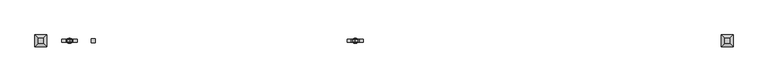
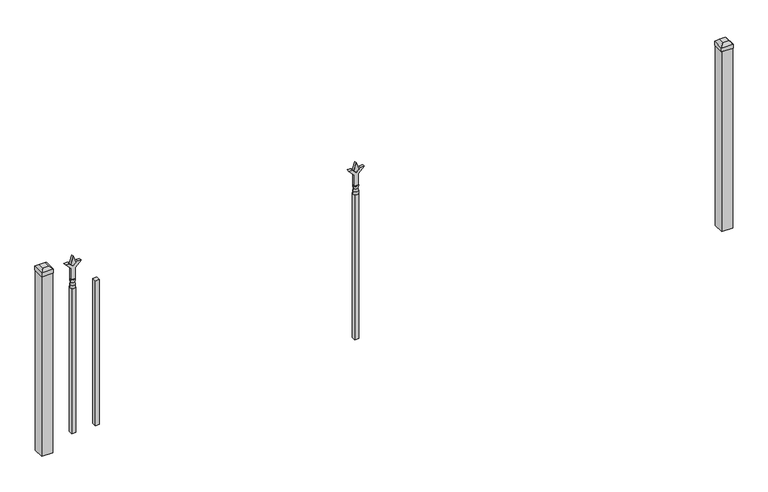
"""IFC4 building model written with IfcOpenShell, lengths in millimetres: railing geometry."""

from ifc_helpers import new_model, si_unit, frame, origin, origin_with_axes, place, context, project, spatial, polyline, circle_curve, outline, extrude, faceted_brep, source, transform, mapped, element, save
from ifc_brep_helpers import plane_surface, cylinder_surface, revolved_surface, advanced_brep


def railing_689de7b7(model_context):
    return source(origin(), model_context, "Body", "SolidModel", [
        extrude(outline(polyline([(-91568.4076703, -625.7320174), (-91549.3576703, -625.7320174), (-91549.3576703, -644.7820174), (-91568.4076703, -644.7820174), (-91568.4076703, -625.7320174)])), frame((0.0, 0.0, 50.8), z_axis=(0.0, 0.0, 1.0), x_axis=(1.0, 0.0, 0.0)), (0.0, 0.0, 1.0), 711.2),
        extrude(outline(polyline([(878.68125, -90344.974337), (914.4, -90356.880587), (878.68125, -90368.786837), (866.775, -90356.880587), (878.68125, -90344.974337)])), frame((0.0, -640.0195174, 0.0), z_axis=(0.0, 1.0, 0.0), x_axis=(0.0, 0.0, 1.0)), (0.0, 0.0, 1.0), 9.525),
        extrude(outline(polyline([(803.275, -90348.149337), (857.5457378, -90348.149337), (884.7355122, -90320.9595625), (884.7355122, -90338.9200747), (866.775, -90356.880587), (884.7355122, -90374.8410992), (884.7355122, -90392.8016114), (857.5457378, -90365.611837), (803.275, -90365.611837), (803.275, -90348.149337)])), frame((0.0, -641.6070174, 0.0), z_axis=(0.0, 1.0, 0.0), x_axis=(0.0, 0.0, 1.0)), (0.0, 0.0, 1.0), 12.7),
        advanced_brep(
        [(-90344.974337, -635.2570174, 774.7), (-90368.786837, -635.2570174, 774.7), (-90368.786837, -635.2570174, 762.0), (-90344.974337, -635.2570174, 762.0), (-90347.1796688, -635.2570174, 787.2070585), (-90366.5815051, -635.2570174, 787.2070585), (-90344.974337, -635.2570174, 803.275), (-90368.786837, -635.2570174, 803.275), (-90356.880587, -635.2570174, 803.275), (-90356.880587, -635.2570174, 762.0)],
        [
            (0, 1, circle_curve(frame((-90356.880587, -635.2570174, 774.7), z_axis=(0.0, 0.0, -1.0), x_axis=(-1.0, 0.0, 0.0)), 11.90625)),
            (1, 2),
            (2, 3, circle_curve(frame((-90356.880587, -635.2570174, 762.0), z_axis=(0.0, 0.0, 1.0), x_axis=(-1.0, 0.0, 0.0)), 11.90625)),
            (3, 0),
            (1, 0, circle_curve(frame((-90356.880587, -635.2570174, 774.7), z_axis=(0.0, 0.0, -1.0), x_axis=(-1.0, 0.0, 0.0)), 11.90625)),
            (3, 2, circle_curve(frame((-90356.880587, -635.2570174, 762.0), z_axis=(0.0, 0.0, 1.0), x_axis=(-1.0, 0.0, 0.0)), 11.90625)),
            (4, 5, circle_curve(frame((-90356.880587, -635.2570174, 787.2070585), z_axis=(0.0, 0.0, -1.0), x_axis=(-1.0, 0.0, 0.0)), 9.7009181)),
            (5, 1),
            (0, 4),
            (5, 4, circle_curve(frame((-90356.880587, -635.2570174, 787.2070585), z_axis=(0.0, 0.0, -1.0), x_axis=(-1.0, 0.0, 0.0)), 9.7009181)),
            (6, 7, circle_curve(frame((-90356.880587, -635.2570174, 803.275), z_axis=(0.0, 0.0, -1.0), x_axis=(-1.0, 0.0, 0.0)), 11.90625)),
            (7, 5),
            (4, 6),
            (7, 6, circle_curve(frame((-90356.880587, -635.2570174, 803.275), z_axis=(0.0, 0.0, -1.0), x_axis=(-1.0, 0.0, 0.0)), 11.90625)),
            (8, 7),
            (6, 8),
            (2, 9),
            (9, 3),
        ],
        [
            cylinder_surface(frame((-90356.880587, -635.2570174, 762.0), z_axis=(0.0, 0.0, 1.0), x_axis=(-1.0, 0.0, 0.0)), 11.90625),
            revolved_surface(polyline([(-90368.786837, -635.2570174, 774.7), (-90366.5815051, -635.2570174, 787.2070585)]), (-90356.880587, -635.2570174, 762.0), (0.0, 0.0, 1.0)),
            revolved_surface(polyline([(-90366.5815051, -635.2570174, 787.2070585), (-90368.786837, -635.2570174, 803.275)]), (-90356.880587, -635.2570174, 762.0), (0.0, 0.0, 1.0)),
            plane_surface(frame((-90356.880587, -635.2570174, 803.275), z_axis=(0.0, 0.0, 1.0), x_axis=(-1.0, 0.0, 0.0))),
            plane_surface(frame((-90356.880587, -635.2570174, 762.0), z_axis=(0.0, 0.0, -1.0), x_axis=(-1.0, 0.0, 0.0))),
        ],
        [
            (0, [[1, 2, 3, 4]]),
            (0, [[5, -4, 6, -2]]),
            (1, [[7, 8, -1, 9]]),
            (1, [[10, -9, -5, -8]]),
            (2, [[11, 12, -7, 13]]),
            (2, [[14, -13, -10, -12]]),
            (3, [[15, -11, 16]]),
            (3, [[-16, -14, -15]]),
            (4, [[-3, 17, 18]]),
            (4, [[-6, -18, -17]]),
        ],
    ),
        extrude(outline(polyline([(-90366.405587, -625.7320174), (-90347.355587, -625.7320174), (-90347.355587, -644.7820174), (-90366.405587, -644.7820174), (-90366.405587, -625.7320174)])), frame((0.0, 0.0, 50.8), z_axis=(0.0, 0.0, 1.0), x_axis=(1.0, 0.0, 0.0)), (0.0, 0.0, 1.0), 711.2),
        extrude(outline(polyline([(878.68125, -91656.249337), (914.4, -91668.155587), (878.68125, -91680.061837), (866.775, -91668.155587), (878.68125, -91656.249337)])), frame((0.0, -640.0195174, 0.0), z_axis=(0.0, 1.0, 0.0), x_axis=(0.0, 0.0, 1.0)), (0.0, 0.0, 1.0), 9.525),
        extrude(outline(polyline([(803.275, -91659.424337), (857.5457378, -91659.424337), (884.7355122, -91632.2345625), (884.7355122, -91650.1950747), (866.775, -91668.155587), (884.7355122, -91686.1160992), (884.7355122, -91704.0766114), (857.5457378, -91676.886837), (803.275, -91676.886837), (803.275, -91659.424337)])), frame((0.0, -641.6070174, 0.0), z_axis=(0.0, 1.0, 0.0), x_axis=(0.0, 0.0, 1.0)), (0.0, 0.0, 1.0), 12.7),
        advanced_brep(
        [(-91656.249337, -635.2570174, 774.7), (-91680.061837, -635.2570174, 774.7), (-91680.061837, -635.2570174, 762.0), (-91656.249337, -635.2570174, 762.0), (-91658.4546688, -635.2570174, 787.2070585), (-91677.8565051, -635.2570174, 787.2070585), (-91656.249337, -635.2570174, 803.275), (-91680.061837, -635.2570174, 803.275), (-91668.155587, -635.2570174, 803.275), (-91668.155587, -635.2570174, 762.0)],
        [
            (0, 1, circle_curve(frame((-91668.155587, -635.2570174, 774.7), z_axis=(0.0, 0.0, -1.0), x_axis=(-1.0, 0.0, 0.0)), 11.90625)),
            (1, 2),
            (2, 3, circle_curve(frame((-91668.155587, -635.2570174, 762.0), z_axis=(0.0, 0.0, 1.0), x_axis=(-1.0, 0.0, 0.0)), 11.90625)),
            (3, 0),
            (1, 0, circle_curve(frame((-91668.155587, -635.2570174, 774.7), z_axis=(0.0, 0.0, -1.0), x_axis=(-1.0, 0.0, 0.0)), 11.90625)),
            (3, 2, circle_curve(frame((-91668.155587, -635.2570174, 762.0), z_axis=(0.0, 0.0, 1.0), x_axis=(-1.0, 0.0, 0.0)), 11.90625)),
            (4, 5, circle_curve(frame((-91668.155587, -635.2570174, 787.2070585), z_axis=(0.0, 0.0, -1.0), x_axis=(-1.0, 0.0, 0.0)), 9.7009181)),
            (5, 1),
            (0, 4),
            (5, 4, circle_curve(frame((-91668.155587, -635.2570174, 787.2070585), z_axis=(0.0, 0.0, -1.0), x_axis=(-1.0, 0.0, 0.0)), 9.7009181)),
            (6, 7, circle_curve(frame((-91668.155587, -635.2570174, 803.275), z_axis=(0.0, 0.0, -1.0), x_axis=(-1.0, 0.0, 0.0)), 11.90625)),
            (7, 5),
            (4, 6),
            (7, 6, circle_curve(frame((-91668.155587, -635.2570174, 803.275), z_axis=(0.0, 0.0, -1.0), x_axis=(-1.0, 0.0, 0.0)), 11.90625)),
            (8, 7),
            (6, 8),
            (2, 9),
            (9, 3),
        ],
        [
            cylinder_surface(frame((-91668.155587, -635.2570174, 762.0), z_axis=(0.0, 0.0, 1.0), x_axis=(-1.0, 0.0, 0.0)), 11.90625),
            revolved_surface(polyline([(-91680.061837, -635.2570174, 774.7), (-91677.8565051, -635.2570174, 787.2070585)]), (-91668.155587, -635.2570174, 762.0), (0.0, 0.0, 1.0)),
            revolved_surface(polyline([(-91677.8565051, -635.2570174, 787.2070585), (-91680.061837, -635.2570174, 803.275)]), (-91668.155587, -635.2570174, 762.0), (0.0, 0.0, 1.0)),
            plane_surface(frame((-91668.155587, -635.2570174, 803.275), z_axis=(0.0, 0.0, 1.0), x_axis=(-1.0, 0.0, 0.0))),
            plane_surface(frame((-91668.155587, -635.2570174, 762.0), z_axis=(0.0, 0.0, -1.0), x_axis=(-1.0, 0.0, 0.0))),
        ],
        [
            (0, [[1, 2, 3, 4]]),
            (0, [[5, -4, 6, -2]]),
            (1, [[7, 8, -1, 9]]),
            (1, [[10, -9, -5, -8]]),
            (2, [[11, 12, -7, 13]]),
            (2, [[14, -13, -10, -12]]),
            (3, [[15, -11, 16]]),
            (3, [[-16, -14, -15]]),
            (4, [[-3, 17, 18]]),
            (4, [[-6, -18, -17]]),
        ],
    ),
        extrude(outline(polyline([(-91677.680587, -625.7320174), (-91658.630587, -625.7320174), (-91658.630587, -644.7820174), (-91677.680587, -644.7820174), (-91677.680587, -625.7320174)])), frame((0.0, 0.0, 50.8), z_axis=(0.0, 0.0, 1.0), x_axis=(1.0, 0.0, 0.0)), (0.0, 0.0, 1.0), 711.2),
        faceted_brep([(-88677.305587, -608.2695174, 901.7), (-88677.305587, -608.2695174, 882.65), (-88677.305587, -662.2445174, 882.65), (-88677.305587, -662.2445174, 901.7), (-88664.605587, -620.9695174, 914.4), (-88664.605587, -649.5445174, 914.4), (-88623.330587, -662.2445174, 882.65), (-88623.330587, -662.2445174, 901.7), (-88636.030587, -649.5445174, 914.4), (-88623.330587, -608.2695174, 882.65), (-88623.330587, -608.2695174, 901.7), (-88636.030587, -620.9695174, 914.4)], [[[0, 1, 2, 3]], [[4, 0, 3, 5]], [[3, 2, 6, 7]], [[5, 3, 7, 8]], [[7, 6, 9, 10]], [[8, 7, 10, 11]], [[10, 9, 1, 0]], [[11, 10, 0, 4]], [[5, 8, 11, 4]], [[1, 9, 6, 2]]]),
        extrude(outline(polyline([(-88624.918087, -609.8570174), (-88624.918087, -660.6570174), (-88675.718087, -660.6570174), (-88675.718087, -609.8570174), (-88624.918087, -609.8570174)])), origin_with_axes(), (0.0, 0.0, 1.0), 882.65),
        faceted_brep([(-91826.905587, -608.2695174, 901.7), (-91826.905587, -608.2695174, 882.65), (-91826.905587, -662.2445174, 882.65), (-91826.905587, -662.2445174, 901.7), (-91814.205587, -620.9695174, 914.4), (-91814.205587, -649.5445174, 914.4), (-91772.930587, -662.2445174, 882.65), (-91772.930587, -662.2445174, 901.7), (-91785.630587, -649.5445174, 914.4), (-91772.930587, -608.2695174, 882.65), (-91772.930587, -608.2695174, 901.7), (-91785.630587, -620.9695174, 914.4)], [[[0, 1, 2, 3]], [[4, 0, 3, 5]], [[3, 2, 6, 7]], [[5, 3, 7, 8]], [[7, 6, 9, 10]], [[8, 7, 10, 11]], [[10, 9, 1, 0]], [[11, 10, 0, 4]], [[5, 8, 11, 4]], [[1, 9, 6, 2]]]),
        extrude(outline(polyline([(-91774.518087, -609.8570174), (-91774.518087, -660.6570174), (-91825.318087, -660.6570174), (-91825.318087, -609.8570174), (-91774.518087, -609.8570174)])), origin_with_axes(), (0.0, 0.0, 1.0), 882.65),
    ])


if __name__ == "__main__":
    model = new_model("IFC4")
    model_context = context("Model", 3, world=origin())
    ifc_project = project(units=[si_unit("LENGTHUNIT", "METRE", prefix="MILLI")], contexts=[model_context])
    site = spatial("IfcSite", under=ifc_project)
    building = spatial("IfcBuilding", under=site)
    placement = place(None, origin())
    railing_shape = railing_689de7b7(model_context)
    element("IfcRailing", 1, at=placement, inside=building, context=model_context, shape_type="MappedRepresentation", body=[
        mapped(railing_shape, transform((0.0, 0.0, 0.0), x_axis=(1.0, 0.0, 0.0), y_axis=(0.0, 1.0, 0.0), z_axis=(0.0, 0.0, 1.0))),
    ])
    save(model, "model.ifc")
